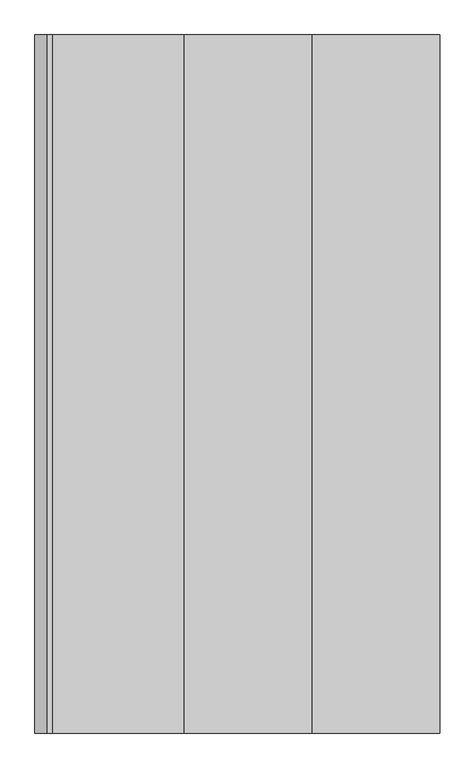
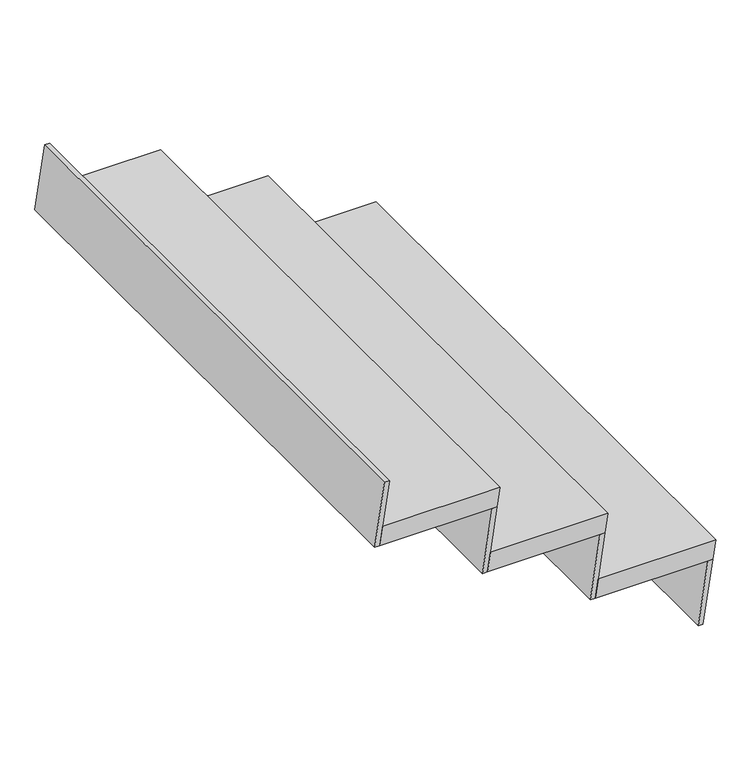
"""IFC4 building model written with IfcOpenShell, lengths in millimetres: stair flight geometry."""

from ifc_helpers import new_model, si_unit, frame, origin, place, context, project, spatial, polyline, outline, extrude, source, transform, mapped, element, save


def stair_flight_66bb6c1c(model_context):
    return source(origin(), model_context, "Body", "SweptSolid", [
        extrude(outline(polyline([(3500.0, -8149.6089981), (3500.0, -8449.6089981), (3450.0, -8457.1089981), (3450.0, -8157.1089981), (3500.0, -8149.6089981)])), frame((0.0, -685.0363971, 0.0), z_axis=(0.0, 1.0, 0.0), x_axis=(0.0, 0.0, 1.0)), (0.0, 0.0, 1.0), 1500.0),
        extrude(outline(polyline([(3450.0, -8157.1089981), (3450.0, -8169.7488408), (3283.3333333, -8194.7488408), (3283.3333333, -8182.1089981), (3450.0, -8157.1089981)])), frame((0.0, -685.0363971, 0.0), z_axis=(0.0, 1.0, 0.0), x_axis=(0.0, 0.0, 1.0)), (0.0, 0.0, 1.0), 1500.0),
        extrude(outline(polyline([(3616.6666667, -8432.1089981), (3616.6666667, -8444.7488408), (3450.0, -8469.7488408), (3450.0, -8457.1089981), (3616.6666667, -8432.1089981)])), frame((0.0, -685.0363971, 0.0), z_axis=(0.0, 1.0, 0.0), x_axis=(0.0, 0.0, 1.0)), (0.0, 0.0, 1.0), 1500.0),
        extrude(outline(polyline([(3666.6666667, -8424.6089981), (3666.6666667, -8724.6089981), (3616.6666667, -8732.1089981), (3616.6666667, -8432.1089981), (3666.6666667, -8424.6089981)])), frame((0.0, -685.0363971, 0.0), z_axis=(0.0, 1.0, 0.0), x_axis=(0.0, 0.0, 1.0)), (0.0, 0.0, 1.0), 1500.0),
        extrude(outline(polyline([(3783.3333333, -8707.1089981), (3783.3333333, -8719.7488408), (3616.6666667, -8744.7488408), (3616.6666667, -8732.1089981), (3783.3333333, -8707.1089981)])), frame((0.0, -685.0363971, 0.0), z_axis=(0.0, 1.0, 0.0), x_axis=(0.0, 0.0, 1.0)), (0.0, 0.0, 1.0), 1500.0),
        extrude(outline(polyline([(3950.0, -8982.1089981), (3950.0, -8994.7488408), (3783.3333333, -9019.7488408), (3783.3333333, -9007.1089981), (3950.0, -8982.1089981)])), frame((0.0, -685.0363971, 0.0), z_axis=(0.0, 1.0, 0.0), x_axis=(0.0, 0.0, 1.0)), (0.0, 0.0, 1.0), 1500.0),
        extrude(outline(polyline([(3833.3333333, -8699.6089981), (3833.3333333, -8999.6089981), (3783.3333333, -9007.1089981), (3783.3333333, -8707.1089981), (3833.3333333, -8699.6089981)])), frame((0.0, -685.0363971, 0.0), z_axis=(0.0, 1.0, 0.0), x_axis=(0.0, 0.0, 1.0)), (0.0, 0.0, 1.0), 1500.0),
    ])


if __name__ == "__main__":
    model = new_model("IFC4")
    model_context = context("Model", 3, world=origin())
    ifc_project = project(units=[si_unit("LENGTHUNIT", "METRE", prefix="MILLI")], contexts=[model_context])
    site = spatial("IfcSite", under=ifc_project)
    building = spatial("IfcBuilding", under=site)
    placement = place(None, origin())
    stair_flight_shape = stair_flight_66bb6c1c(model_context)
    element("IfcStairFlight", 1, at=placement, inside=building, context=model_context, shape_type="MappedRepresentation", body=[
        mapped(stair_flight_shape, transform((0.0, 0.0, 0.0), x_axis=(1.0, 0.0, 0.0), y_axis=(0.0, 1.0, 0.0), z_axis=(0.0, 0.0, 1.0))),
    ])
    save(model, "model.ifc")
